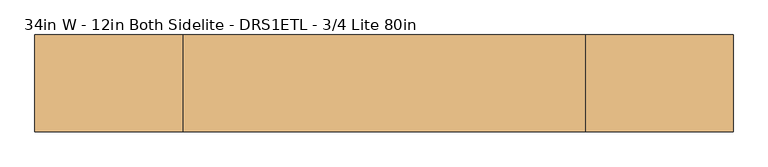
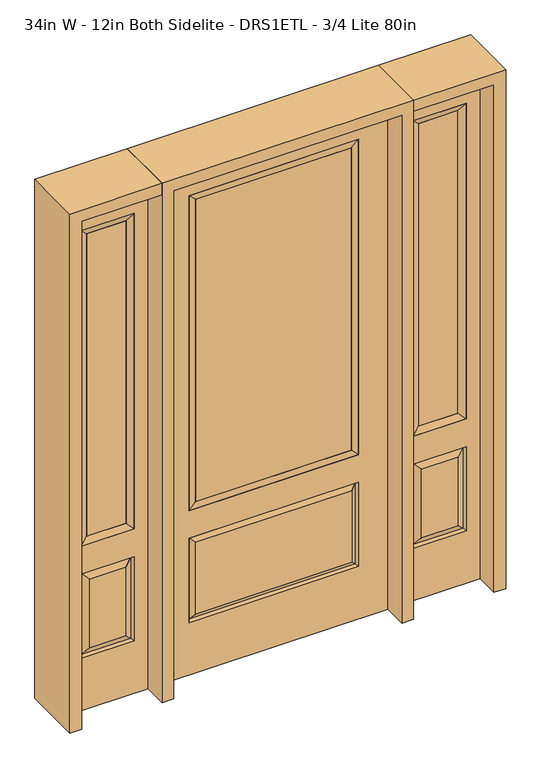
"""IFC4 building model written with IfcOpenShell, lengths in millimetres: door geometry, 34in W - 12in Both Sidelite - DRS1ETL - 3/4 Lite 80in."""

from ifc_helpers import new_model, si_unit, frame, origin, place, context, project, spatial, polyline, outline, extrude, faceted_brep, source, transform, mapped, element, save


def door_34in_w_12in_both_sidelite_drs1etl_3_4_lite_80in_4feb2da2(model_context):
    return source(origin(), model_context, "Body", "SolidModel", [
        faceted_brep([(476.25, -22.225, 0.0), (781.05, -22.225, 0.0), (781.05, -22.225, 2032.0), (476.25, -22.225, 2032.0), (728.98, -22.225, 1919.224), (728.98, -22.225, 657.098), (528.32, -22.225, 657.098), (528.32, -22.225, 1919.224), (728.98, -22.225, 209.55), (528.32, -22.225, 209.55), (528.32, -22.225, 546.1), (728.98, -22.225, 546.1), (560.0351001, -22.225, 241.2651001), (697.2648999, -22.225, 241.2651001), (697.2648999, -22.225, 514.3848999), (560.0351001, -22.225, 514.3848999), (476.25, 22.225, 0.0), (476.25, 22.225, 2032.0), (781.05, 22.225, 2032.0), (781.05, 22.225, 0.0), (728.98, 22.225, 1919.224), (528.32, 22.225, 1919.224), (528.32, 22.225, 657.098), (728.98, 22.225, 657.098), (528.32, 22.225, 209.55), (728.98, 22.225, 209.55), (728.98, 22.225, 546.1), (528.32, 22.225, 546.1), (697.2648999, 22.225, 241.2651001), (560.0351001, 22.225, 241.2651001), (560.0351001, 22.225, 514.3848999), (697.2648999, 22.225, 514.3848999), (721.8711499, 12.7912373, 216.6588501), (535.4288501, 12.7912373, 216.6588501), (535.4288501, 12.7912373, 538.9911499), (721.8711499, 12.7912373, 538.9911499), (535.4288501, -12.7912373, 216.6588501), (721.8711499, -12.7912373, 216.6588501), (535.4288501, -12.7912373, 538.9911499), (721.8711499, -12.7912373, 538.9911499)], [[[0, 1, 2, 3], [4, 5, 6, 7], [8, 9, 10, 11]], [[12, 13, 14, 15]], [[16, 17, 18, 19], [20, 21, 22, 23], [24, 25, 26, 27]], [[28, 29, 30, 31]], [[1, 0, 16, 19]], [[2, 1, 19, 18]], [[3, 2, 18, 17]], [[0, 3, 17, 16]], [[5, 4, 20, 23]], [[6, 5, 23, 22]], [[7, 6, 22, 21]], [[4, 7, 21, 20]], [[32, 33, 29, 28]], [[33, 32, 25, 24]], [[29, 33, 34, 30]], [[33, 24, 27, 34]], [[30, 34, 35, 31]], [[34, 27, 26, 35]], [[32, 28, 31, 35]], [[25, 32, 35, 26]], [[12, 36, 37, 13]], [[37, 36, 9, 8]], [[36, 12, 15, 38]], [[9, 36, 38, 10]], [[38, 15, 14, 39]], [[10, 38, 39, 11]], [[13, 37, 39, 14]], [[37, 8, 11, 39]]]),
        faceted_brep([(528.32, 22.225, 1919.224), (528.32, -22.225, 1919.224), (728.98, -22.225, 1919.224), (728.98, 22.225, 1919.224), (553.72, 12.7, 1893.824), (703.58, 12.7, 1893.824), (553.72, -12.7, 1893.824), (703.58, -12.7, 1893.824), (728.98, -22.225, 657.098), (728.98, 22.225, 657.098), (703.58, 12.7, 682.498), (703.58, -12.7, 682.498), (528.32, -22.225, 657.098), (528.32, 22.225, 657.098), (553.72, 12.7, 682.498), (553.72, -12.7, 682.498)], [[[0, 1, 2, 3]], [[4, 0, 3, 5]], [[6, 4, 5, 7]], [[1, 6, 7, 2]], [[3, 2, 8, 9]], [[5, 3, 9, 10]], [[7, 5, 10, 11]], [[2, 7, 11, 8]], [[9, 8, 12, 13]], [[10, 9, 13, 14]], [[11, 10, 14, 15]], [[8, 11, 15, 12]], [[13, 12, 1, 0]], [[14, 13, 0, 4]], [[15, 14, 4, 6]], [[12, 15, 6, 1]]]),
        extrude(outline(polyline([(703.58, -12.7), (553.72, -12.7), (553.72, 12.7), (703.58, 12.7), (703.58, -12.7)])), frame((0.0, 0.0, 682.498), z_axis=(0.0, 0.0, 1.0), x_axis=(1.0, 0.0, 0.0)), (0.0, 0.0, 1.0), 1211.326),
        faceted_brep([(-781.05, -22.225, 0.0), (-476.25, -22.225, 0.0), (-476.25, -22.225, 2032.0), (-781.05, -22.225, 2032.0), (-528.32, -22.225, 1919.224), (-528.32, -22.225, 657.098), (-728.98, -22.225, 657.098), (-728.98, -22.225, 1919.224), (-528.32, -22.225, 209.55), (-728.98, -22.225, 209.55), (-728.98, -22.225, 546.1), (-528.32, -22.225, 546.1), (-697.2648999, -22.225, 241.2651001), (-560.0351001, -22.225, 241.2651001), (-560.0351001, -22.225, 514.3848999), (-697.2648999, -22.225, 514.3848999), (-781.05, 22.225, 0.0), (-781.05, 22.225, 2032.0), (-476.25, 22.225, 2032.0), (-476.25, 22.225, 0.0), (-528.32, 22.225, 1919.224), (-728.98, 22.225, 1919.224), (-728.98, 22.225, 657.098), (-528.32, 22.225, 657.098), (-728.98, 22.225, 209.55), (-528.32, 22.225, 209.55), (-528.32, 22.225, 546.1), (-728.98, 22.225, 546.1), (-560.0351001, 22.225, 241.2651001), (-697.2648999, 22.225, 241.2651001), (-697.2648999, 22.225, 514.3848999), (-560.0351001, 22.225, 514.3848999), (-535.4288501, 12.7912373, 216.6588501), (-721.8711499, 12.7912373, 216.6588501), (-721.8711499, 12.7912373, 538.9911499), (-535.4288501, 12.7912373, 538.9911499), (-721.8711499, -12.7912373, 216.6588501), (-535.4288501, -12.7912373, 216.6588501), (-721.8711499, -12.7912373, 538.9911499), (-535.4288501, -12.7912373, 538.9911499)], [[[0, 1, 2, 3], [4, 5, 6, 7], [8, 9, 10, 11]], [[12, 13, 14, 15]], [[16, 17, 18, 19], [20, 21, 22, 23], [24, 25, 26, 27]], [[28, 29, 30, 31]], [[1, 0, 16, 19]], [[2, 1, 19, 18]], [[3, 2, 18, 17]], [[0, 3, 17, 16]], [[5, 4, 20, 23]], [[6, 5, 23, 22]], [[7, 6, 22, 21]], [[4, 7, 21, 20]], [[32, 33, 29, 28]], [[33, 32, 25, 24]], [[29, 33, 34, 30]], [[33, 24, 27, 34]], [[30, 34, 35, 31]], [[34, 27, 26, 35]], [[32, 28, 31, 35]], [[25, 32, 35, 26]], [[12, 36, 37, 13]], [[37, 36, 9, 8]], [[36, 12, 15, 38]], [[9, 36, 38, 10]], [[38, 15, 14, 39]], [[10, 38, 39, 11]], [[13, 37, 39, 14]], [[37, 8, 11, 39]]]),
        faceted_brep([(-728.98, 22.225, 1919.224), (-728.98, -22.225, 1919.224), (-528.32, -22.225, 1919.224), (-528.32, 22.225, 1919.224), (-703.58, 12.7, 1893.824), (-553.72, 12.7, 1893.824), (-703.58, -12.7, 1893.824), (-553.72, -12.7, 1893.824), (-528.32, -22.225, 657.098), (-528.32, 22.225, 657.098), (-553.72, 12.7, 682.498), (-553.72, -12.7, 682.498), (-728.98, -22.225, 657.098), (-728.98, 22.225, 657.098), (-703.58, 12.7, 682.498), (-703.58, -12.7, 682.498)], [[[0, 1, 2, 3]], [[4, 0, 3, 5]], [[6, 4, 5, 7]], [[1, 6, 7, 2]], [[3, 2, 8, 9]], [[5, 3, 9, 10]], [[7, 5, 10, 11]], [[2, 7, 11, 8]], [[9, 8, 12, 13]], [[10, 9, 13, 14]], [[11, 10, 14, 15]], [[8, 11, 15, 12]], [[13, 12, 1, 0]], [[14, 13, 0, 4]], [[15, 14, 4, 6]], [[12, 15, 6, 1]]]),
        extrude(outline(polyline([(-553.72, -12.7), (-703.58, -12.7), (-703.58, 12.7), (-553.72, 12.7), (-553.72, -12.7)])), frame((0.0, 0.0, 682.498), z_axis=(0.0, 0.0, 1.0), x_axis=(1.0, 0.0, 0.0)), (0.0, 0.0, 1.0), 1211.326),
        faceted_brep([(-313.5661499, -12.7912373, 216.6588501), (313.5661499, -12.7912373, 216.6588501), (296.06875, -22.225, 234.15625), (-296.06875, -22.225, 234.15625), (-320.675, -22.225, 209.55), (320.675, -22.225, 209.55), (-313.5661499, -12.7912373, 538.9911499), (-320.675, -22.225, 546.1), (296.06875, -22.225, 521.49375), (-296.06875, -22.225, 521.49375), (431.8, -22.225, 2032.0), (-431.8, -22.225, 2032.0), (-431.8, -22.225, 0.0), (431.8, -22.225, 0.0), (320.675, -22.225, 546.1), (320.675, -22.225, 1917.7), (320.675, -22.225, 657.098), (-320.675, -22.225, 657.098), (-320.675, -22.225, 1917.7), (313.5661499, -12.7912373, 538.9911499), (-431.8, 22.225, 2032.0), (-431.8, 22.225, 0.0), (431.8, 22.225, 0.0), (431.8, 22.225, 2032.0), (320.675, 22.225, 1917.7), (320.675, 22.225, 657.098), (-320.675, 22.225, 657.098), (-320.675, 22.225, 1917.7), (-320.675, 22.225, 209.55), (320.675, 22.225, 209.55), (320.675, 22.225, 546.1), (-320.675, 22.225, 546.1), (296.06875, 22.225, 234.15625), (-296.06875, 22.225, 234.15625), (-296.06875, 22.225, 521.49375), (296.06875, 22.225, 521.49375), (-313.5661499, 12.7912373, 216.6588501), (313.5661499, 12.7912373, 216.6588501), (313.5661499, 12.7912373, 538.9911499), (-313.5661499, 12.7912373, 538.9911499)], [[[0, 1, 2, 3]], [[1, 0, 4, 5]], [[4, 0, 6, 7]], [[3, 2, 8, 9]], [[10, 11, 12, 13], [5, 4, 7, 14], [15, 16, 17, 18]], [[1, 5, 14, 19]], [[2, 1, 19, 8]], [[0, 3, 9, 6]], [[7, 6, 19, 14]], [[6, 9, 8, 19]], [[12, 11, 20, 21]], [[13, 12, 21, 22]], [[10, 13, 22, 23]], [[16, 15, 24, 25]], [[17, 16, 25, 26]], [[18, 17, 26, 27]], [[23, 22, 21, 20], [28, 29, 30, 31], [24, 27, 26, 25]], [[32, 33, 34, 35]], [[28, 36, 37, 29]], [[29, 37, 38, 30]], [[39, 31, 30, 38]], [[36, 28, 31, 39]], [[37, 36, 33, 32]], [[33, 36, 39, 34]], [[34, 39, 38, 35]], [[37, 32, 35, 38]], [[11, 10, 23, 20]], [[15, 18, 27, 24]]]),
        faceted_brep([(-320.675, -22.225, 1917.7), (-320.675, 22.225, 1917.7), (-320.675, 22.225, 657.098), (-320.675, -22.225, 657.098), (320.675, 22.225, 657.098), (320.675, -22.225, 657.098), (-295.275, 5.08, 682.498), (295.275, 5.08, 682.498), (320.675, 22.225, 1917.7), (320.675, -22.225, 1917.7), (-295.275, -20.32, 682.498), (295.275, -20.32, 682.498), (-295.275, -20.32, 1892.3), (295.275, -20.32, 1892.3), (-295.275, 5.08, 1892.3), (295.275, 5.08, 1892.3)], [[[0, 1, 2, 3]], [[3, 2, 4, 5]], [[2, 6, 7, 4]], [[5, 4, 8, 9]], [[10, 3, 5, 11]], [[12, 0, 3, 10]], [[11, 5, 9, 13]], [[6, 10, 11, 7]], [[14, 12, 10, 6]], [[7, 11, 13, 15]], [[1, 14, 6, 2]], [[4, 7, 15, 8]], [[9, 8, 1, 0]], [[13, 9, 0, 12]], [[15, 13, 12, 14]], [[8, 15, 14, 1]]]),
        extrude(outline(polyline([(295.275, -20.32), (-295.275, -20.32), (-295.275, 5.08), (295.275, 5.08), (295.275, -20.32)])), frame((0.0, 0.0, 682.498), z_axis=(0.0, 0.0, 1.0), x_axis=(1.0, 0.0, 0.0)), (0.0, 0.0, 1.0), 1209.802),
        extrude(outline(polyline([(2032.0, -476.25), (2076.45, -476.25), (2076.45, -825.5), (0.0, -825.5), (0.0, -781.05), (2032.0, -781.05), (2032.0, -476.25)])), frame((0.0, -114.3, 0.0), z_axis=(0.0, 1.0, 0.0), x_axis=(0.0, 0.0, 1.0)), (0.0, 0.0, 1.0), 228.6),
        extrude(outline(polyline([(2076.45, -476.25), (0.0, -476.25), (0.0, -431.8), (2032.0, -431.8), (2032.0, 431.8), (0.0, 431.8), (0.0, 476.25), (2076.45, 476.25), (2076.45, -476.25)])), frame((0.0, -114.3, 0.0), z_axis=(0.0, 1.0, 0.0), x_axis=(0.0, 0.0, 1.0)), (0.0, 0.0, 1.0), 228.6),
        extrude(outline(polyline([(0.0, 781.05), (0.0, 825.5), (2076.45, 825.5), (2076.45, 476.25), (2032.0, 476.25), (2032.0, 781.05), (0.0, 781.05)])), frame((0.0, -114.3, 0.0), z_axis=(0.0, 1.0, 0.0), x_axis=(0.0, 0.0, 1.0)), (0.0, 0.0, 1.0), 228.6),
    ])


if __name__ == "__main__":
    model = new_model("IFC4")
    model_context = context("Model", 3, world=origin())
    ifc_project = project(units=[si_unit("LENGTHUNIT", "METRE", prefix="MILLI")], contexts=[model_context])
    site = spatial("IfcSite", under=ifc_project)
    building = spatial("IfcBuilding", under=site)
    placement = place(None, origin())
    door_34in_w_12in_both_sidelite_drs1etl_3_4_lite_80in_shape = door_34in_w_12in_both_sidelite_drs1etl_3_4_lite_80in_4feb2da2(model_context)
    element("IfcDoor", 1, ObjectType="34in W - 12in Both Sidelite - DRS1ETL - 3/4 Lite 80in", at=placement, inside=building, context=model_context, shape_type="MappedRepresentation", body=[
        mapped(door_34in_w_12in_both_sidelite_drs1etl_3_4_lite_80in_shape, transform((0.0, 0.0, 0.0), x_axis=(1.0, 0.0, 0.0), y_axis=(0.0, 1.0, 0.0), z_axis=(0.0, 0.0, 1.0))),
    ])
    save(model, "model.ifc")
